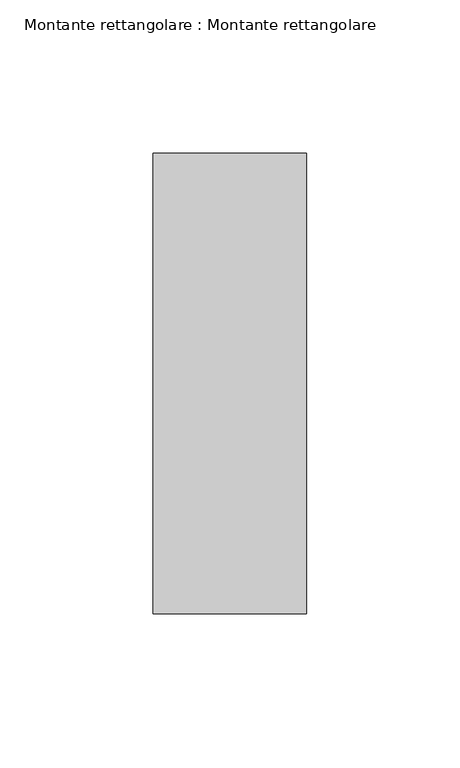
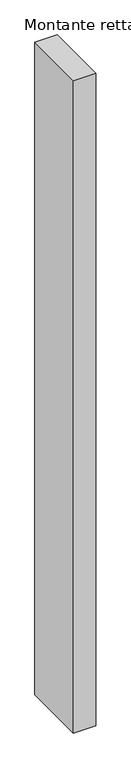
"""IFC4 building model written with IfcOpenShell, lengths in millimetres: member geometry, Montante rettangolare : Montante rettangolare."""

from ifc_helpers import new_model, si_unit, frame, origin, place, context, project, spatial, polyline, outline, extrude, source, transform, mapped, element, save


def montante_rettangolare_montante_rettangolare_7c6c9260(model_context):
    return source(origin(), model_context, "Body", "SweptSolid", [
        extrude(outline(polyline([(25.0, 75.0), (25.0, -75.0), (-25.0, -75.0), (-25.0, 75.0), (25.0, 75.0)])), frame((0.0, 0.0, -1550.0), z_axis=(0.0, 0.0, 1.0), x_axis=(1.0, 0.0, 0.0)), (0.0, 0.0, 1.0), 1550.0),
    ])


if __name__ == "__main__":
    model = new_model("IFC4")
    model_context = context("Model", 3, world=origin())
    ifc_project = project(units=[si_unit("LENGTHUNIT", "METRE", prefix="MILLI")], contexts=[model_context])
    site = spatial("IfcSite", under=ifc_project)
    building = spatial("IfcBuilding", under=site)
    placement = place(None, origin())
    montante_rettangolare_montante_rettangolare_shape = montante_rettangolare_montante_rettangolare_7c6c9260(model_context)
    element("IfcMember", 1, ObjectType="Montante rettangolare : Montante rettangolare", at=placement, inside=building, context=model_context, shape_type="MappedRepresentation", body=[
        mapped(montante_rettangolare_montante_rettangolare_shape, transform((0.0, 0.0, 0.0), x_axis=(1.0, 0.0, 0.0), y_axis=(0.0, 1.0, 0.0), z_axis=(0.0, 0.0, 1.0))),
    ])
    save(model, "model.ifc")
